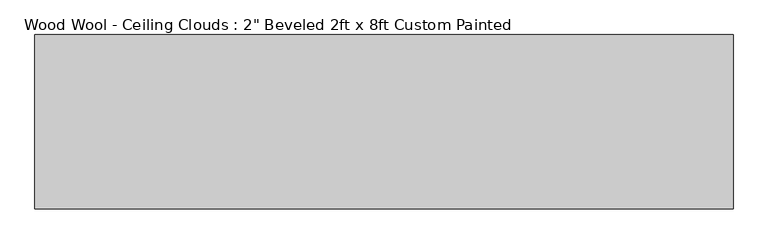
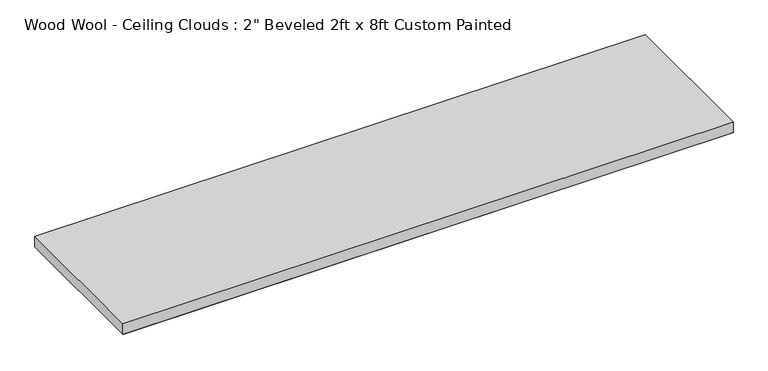
"""IFC4 building model written with IfcOpenShell, lengths in millimetres: proxy geometry."""

from ifc_helpers import new_model, si_unit, origin, place, context, project, spatial, faceted_brep, source, transform, mapped, element, save


def proxy_a8bdc38e(model_context):
    return source(origin(), model_context, "Body", "Brep", [
        faceted_brep([(1211.199, -296.799, -50.8), (-1211.199, -296.799, -50.8), (-1211.199, 296.799, -50.8), (1211.199, 296.799, -50.8), (-1219.2, -304.8, 0.0), (1219.2, -304.8, 0.0), (1219.2, 304.8, 0.0), (-1219.2, 304.8, 0.0), (-1219.2, 304.8, -42.799), (-1219.2, -304.8, -42.799), (1219.2, 304.8, -42.799), (1219.2, -304.8, -42.799)], [[[0, 1, 2, 3]], [[4, 5, 6, 7]], [[4, 7, 8, 9]], [[7, 6, 10, 8]], [[6, 5, 11, 10]], [[5, 4, 9, 11]], [[9, 1, 0, 11]], [[1, 9, 8, 2]], [[2, 8, 10, 3]], [[11, 0, 3, 10]]]),
    ])


if __name__ == "__main__":
    model = new_model("IFC4")
    model_context = context("Model", 3, world=origin())
    ifc_project = project(units=[si_unit("LENGTHUNIT", "METRE", prefix="MILLI")], contexts=[model_context])
    site = spatial("IfcSite", under=ifc_project)
    building = spatial("IfcBuilding", under=site)
    placement = place(None, origin())
    proxy_shape = proxy_a8bdc38e(model_context)
    element("IfcBuildingElementProxy", 1, Name="Wood Wool - Ceiling Clouds : 2\" Beveled 2ft x 8ft Custom Painted", ObjectType="Wood Wool - Ceiling Clouds : 2\" Beveled 2ft x 8ft Custom Painted", at=placement, inside=building, context=model_context, shape_type="MappedRepresentation", body=[
        mapped(proxy_shape, transform((0.0, 0.0, 0.0), x_axis=(1.0, 0.0, 0.0), y_axis=(0.0, 1.0, 0.0), z_axis=(0.0, 0.0, 1.0))),
    ])
    save(model, "model.ifc")
